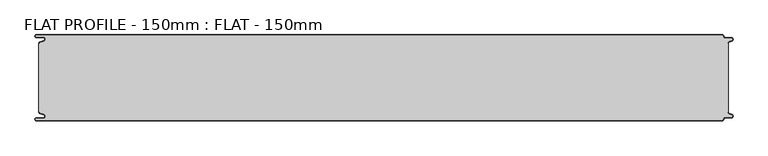
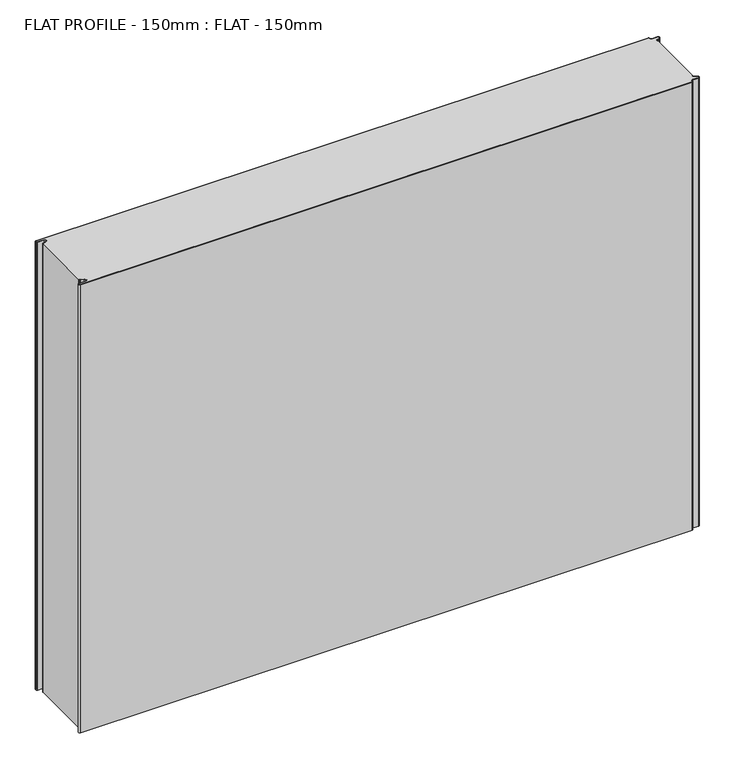
"""IFC4 building model written with IfcOpenShell, lengths in millimetres: proxy geometry, FLAT PROFILE - 150mm : FLAT - 150mm."""

from ifc_helpers import new_model, si_unit, point, frame_2d, origin, origin_with_axes, place, context, project, spatial, polyline, circle_curve, trimmed, segment, composite_curve, outline, extrude, source, transform, mapped, element, save


def flat_profile_150mm_flat_150mm_a8dec45d(model_context):
    return source(origin(), model_context, "Body", "SweptSolid", [
        extrude(outline(composite_curve([segment(polyline([(-591.3794419, 61.1128969), (-589.3904999, 61.9138856), (-583.8995097, 63.9124426)]), True, "CONTINUOUS"), segment(trimmed(circle_curve(frame_2d((-585.2882153, 67.3376495)), 3.6960175), [point((-583.8995097, 63.9124426))], [point((-584.9273771, 71.0160107))], True, "CARTESIAN"), True, "CONTINUOUS"), segment(polyline([(-584.9273771, 71.0160107), (-597.3733883, 71.0160107)]), True, "CONTINUOUS"), segment(trimmed(circle_curve(frame_2d((-597.4921978, 72.511298)), 1.5), [point((-597.3733883, 71.0160107))], [point((-597.3084562, 74.0000019))], False, "CARTESIAN"), True, "CONTINUOUS"), segment(polyline([(-597.3084562, 74.0000019), (596.902372, 74.0000019)]), True, "CONTINUOUS"), segment(trimmed(circle_curve(frame_2d((596.9047345, 72.4926459)), 1.5073578), [point((596.902372, 74.0000019))], [point((598.4115951, 72.4539337))], False, "CARTESIAN"), True, "CONTINUOUS"), segment(trimmed(circle_curve(frame_2d((601.9112919, 72.5000019)), 3.5), [point((598.4115951, 72.4539337))], [point((601.9112919, 69.0000019))], True, "CARTESIAN"), True, "CONTINUOUS"), segment(polyline([(601.9112919, 69.0000019), (612.3116271, 69.0000019)]), True, "CONTINUOUS"), segment(trimmed(circle_curve(frame_2d((612.3116271, 66.9000019)), 2.1), [point((612.3116271, 69.0000019))], [point((613.0435993, 64.9316988))], False, "CARTESIAN"), True, "CONTINUOUS"), segment(polyline([(613.0435993, 64.9316988), (610.7828028, 64.1063001), (607.8546835, 62.9154156)]), True, "CONTINUOUS"), segment(trimmed(circle_curve(frame_2d((608.9399875, 60.2468953)), 2.8807786), [point((607.8546835, 62.9154156))], [point((606.0682599, 60.475074))], True, "CARTESIAN"), True, "CONTINUOUS"), segment(polyline([(606.0682599, 60.475074), (606.0107004, 59.2522232), (607.0118076, 59.2522232), (607.0118076, -59.2522195), (606.0107004, -59.2522195), (606.0682599, -60.4750703)]), True, "CONTINUOUS"), segment(trimmed(circle_curve(frame_2d((608.9399875, -60.2468916)), 2.8807786), [point((606.0682599, -60.4750703))], [point((607.8546835, -62.9154119))], True, "CARTESIAN"), True, "CONTINUOUS"), segment(polyline([(607.8546835, -62.9154119), (610.7828028, -64.1062964), (613.0435993, -64.9316951)]), True, "CONTINUOUS"), segment(trimmed(circle_curve(frame_2d((612.3116271, -66.8999981)), 2.1), [point((613.0435993, -64.9316951))], [point((612.3116271, -68.9999981))], False, "CARTESIAN"), True, "CONTINUOUS"), segment(polyline([(612.3116271, -68.9999981), (601.9112919, -68.9999981)]), True, "CONTINUOUS"), segment(trimmed(circle_curve(frame_2d((601.9112919, -72.4999981)), 3.5), [point((601.9112919, -68.9999981))], [point((598.4115951, -72.45393))], True, "CARTESIAN"), True, "CONTINUOUS"), segment(trimmed(circle_curve(frame_2d((596.9047345, -72.4926422)), 1.5073578), [point((598.4115951, -72.45393))], [point((596.902372, -73.9999981))], False, "CARTESIAN"), True, "CONTINUOUS"), segment(polyline([(596.902372, -73.9999981), (-597.3084562, -73.9999981)]), True, "CONTINUOUS"), segment(trimmed(circle_curve(frame_2d((-597.4921978, -72.5112943)), 1.5), [point((-597.3084562, -73.9999981))], [point((-597.3733883, -71.016007))], False, "CARTESIAN"), True, "CONTINUOUS"), segment(polyline([(-597.3733883, -71.016007), (-584.9273771, -71.016007)]), True, "CONTINUOUS"), segment(trimmed(circle_curve(frame_2d((-585.2882153, -67.3376458)), 3.6960175), [point((-584.9273771, -71.016007))], [point((-583.8995097, -63.9124389))], True, "CARTESIAN"), True, "CONTINUOUS"), segment(polyline([(-583.8995097, -63.9124389), (-589.3904999, -61.9138819), (-591.3794419, -61.1128932)]), True, "CONTINUOUS"), segment(trimmed(circle_curve(frame_2d((-591.0050311, -60.1831907)), 1.0022625), [point((-591.3794419, -61.1128932))], [point((-591.9881924, -60.3779319))], False, "CARTESIAN"), True, "CONTINUOUS"), segment(polyline([(-591.9881924, -60.3779319), (-591.9881924, -59.2522214), (-592.9881924, -59.2522214), (-592.9881924, 59.2522214), (-591.9881924, 59.2522214), (-591.9881924, 60.3779357)]), True, "CONTINUOUS"), segment(trimmed(circle_curve(frame_2d((-591.0050311, 60.1831944)), 1.0022625), [point((-591.9881924, 60.3779357))], [point((-591.3794419, 61.1128969))], False, "CARTESIAN"), True, "CONTINUOUS")], self_intersect=False)), origin_with_axes(), (0.0, 0.0, 1.0), 925.0),
        extrude(outline(composite_curve([segment(trimmed(circle_curve(frame_2d((-591.0050311, 60.1831944)), 1.0022625), [point((-591.3794419, 61.1128969))], [point((-591.9881924, 60.3779357))], True, "CARTESIAN"), True, "CONTINUOUS"), segment(polyline([(-591.9881924, 60.3779357), (-591.9881924, 59.2522214), (-592.9881924, 59.2522214), (-592.9881924, 60.4591051)]), True, "CONTINUOUS"), segment(trimmed(circle_curve(frame_2d((-591.0050311, 60.1831944)), 2.0022625), [point((-592.9881924, 60.4591051))], [point((-591.7530074, 62.0405007))], False, "CARTESIAN"), True, "CONTINUOUS"), segment(polyline([(-591.7530074, 62.0405007), (-589.7483949, 62.8478003), (-584.2598383, 64.8454715)]), True, "CONTINUOUS"), segment(trimmed(circle_curve(frame_2d((-585.2882153, 67.3376495)), 2.6960175), [point((-584.2598383, 64.8454715))], [point((-584.9801705, 70.0160107))], True, "CARTESIAN"), True, "CONTINUOUS"), segment(polyline([(-584.9801705, 70.0160107), (-597.3387672, 70.0160107)]), True, "CONTINUOUS"), segment(trimmed(circle_curve(frame_2d((-597.4921978, 72.511298)), 2.5), [point((-597.3387672, 70.0160107))], [point((-597.2548091, 75.0000019))], False, "CARTESIAN"), True, "CONTINUOUS"), segment(polyline([(-597.2548091, 75.0000019), (596.9016875, 75.0000019)]), True, "CONTINUOUS"), segment(trimmed(circle_curve(frame_2d((596.9047345, 72.4926459)), 2.5073578), [point((596.9016875, 75.0000019))], [point((599.4117582, 72.4517176))], False, "CARTESIAN"), True, "CONTINUOUS"), segment(trimmed(circle_curve(frame_2d((601.9112919, 72.5000019)), 2.5), [point((599.4117582, 72.4517176))], [point((601.9112919, 70.0000019))], True, "CARTESIAN"), True, "CONTINUOUS"), segment(polyline([(601.9112919, 70.0000019), (612.3116271, 70.0000019)]), True, "CONTINUOUS"), segment(trimmed(circle_curve(frame_2d((612.3116271, 66.9000019)), 3.1), [point((612.3116271, 70.0000019))], [point((613.3890842, 63.9932707))], False, "CARTESIAN"), True, "CONTINUOUS"), segment(polyline([(613.3890842, 63.9932707), (611.1427659, 63.1731578), (608.2411829, 62.0549269)]), True, "CONTINUOUS"), segment(trimmed(circle_curve(frame_2d((609.0514567, 60.1592666)), 2.0615701), [point((608.2411829, 62.0549269))], [point((607.0118076, 60.4591051))], True, "CARTESIAN"), True, "CONTINUOUS"), segment(polyline([(607.0118076, 60.4591051), (607.0118076, 59.2522232), (606.0107004, 59.2522232), (606.0682599, 60.475074)]), True, "CONTINUOUS"), segment(trimmed(circle_curve(frame_2d((608.9399875, 60.2468953)), 2.8807786), [point((606.0682599, 60.475074))], [point((607.8546835, 62.9154156))], False, "CARTESIAN"), True, "CONTINUOUS"), segment(polyline([(607.8546835, 62.9154156), (610.7828028, 64.1063001), (613.0435993, 64.9316988)]), True, "CONTINUOUS"), segment(trimmed(circle_curve(frame_2d((612.3116271, 66.9000019)), 2.1), [point((613.0435993, 64.9316988))], [point((612.3116271, 69.0000019))], True, "CARTESIAN"), True, "CONTINUOUS"), segment(polyline([(612.3116271, 69.0000019), (601.9112919, 69.0000019)]), True, "CONTINUOUS"), segment(trimmed(circle_curve(frame_2d((601.9112919, 72.5000019)), 3.5), [point((601.9112919, 69.0000019))], [point((598.4115951, 72.4539337))], False, "CARTESIAN"), True, "CONTINUOUS"), segment(trimmed(circle_curve(frame_2d((596.9047345, 72.4926459)), 1.5073578), [point((598.4115951, 72.4539337))], [point((596.902372, 74.0000019))], True, "CARTESIAN"), True, "CONTINUOUS"), segment(polyline([(596.902372, 74.0000019), (-597.3084562, 74.0000019)]), True, "CONTINUOUS"), segment(trimmed(circle_curve(frame_2d((-597.4921978, 72.511298)), 1.5), [point((-597.3084562, 74.0000019))], [point((-597.3733883, 71.0160107))], True, "CARTESIAN"), True, "CONTINUOUS"), segment(polyline([(-597.3733883, 71.0160107), (-584.9273771, 71.0160107)]), True, "CONTINUOUS"), segment(trimmed(circle_curve(frame_2d((-585.2882153, 67.3376495)), 3.6960175), [point((-584.9273771, 71.0160107))], [point((-583.8995097, 63.9124426))], False, "CARTESIAN"), True, "CONTINUOUS"), segment(polyline([(-583.8995097, 63.9124426), (-589.3904999, 61.9138856), (-591.3794419, 61.1128969)]), True, "CONTINUOUS")], self_intersect=False)), origin_with_axes(), (0.0, 0.0, 1.0), 925.0),
        extrude(outline(composite_curve([segment(polyline([(-591.3794419, -61.1128932), (-589.3904999, -61.9138819), (-583.8995097, -63.9124389)]), True, "CONTINUOUS"), segment(trimmed(circle_curve(frame_2d((-585.2882153, -67.3376458)), 3.6960175), [point((-583.8995097, -63.9124389))], [point((-584.9273771, -71.016007))], False, "CARTESIAN"), True, "CONTINUOUS"), segment(polyline([(-584.9273771, -71.016007), (-597.3733883, -71.016007)]), True, "CONTINUOUS"), segment(trimmed(circle_curve(frame_2d((-597.4921978, -72.5112943)), 1.5), [point((-597.3733883, -71.016007))], [point((-597.3084562, -73.9999981))], True, "CARTESIAN"), True, "CONTINUOUS"), segment(polyline([(-597.3084562, -73.9999981), (596.902372, -73.9999981)]), True, "CONTINUOUS"), segment(trimmed(circle_curve(frame_2d((596.9047345, -72.4926422)), 1.5073578), [point((596.902372, -73.9999981))], [point((598.4115951, -72.45393))], True, "CARTESIAN"), True, "CONTINUOUS"), segment(trimmed(circle_curve(frame_2d((601.9112919, -72.4999981)), 3.5), [point((598.4115951, -72.45393))], [point((601.9112919, -68.9999981))], False, "CARTESIAN"), True, "CONTINUOUS"), segment(polyline([(601.9112919, -68.9999981), (612.3116271, -68.9999981)]), True, "CONTINUOUS"), segment(trimmed(circle_curve(frame_2d((612.3116271, -66.8999981)), 2.1), [point((612.3116271, -68.9999981))], [point((613.0435993, -64.9316951))], True, "CARTESIAN"), True, "CONTINUOUS"), segment(polyline([(613.0435993, -64.9316951), (610.7828028, -64.1062964), (607.8546835, -62.9154119)]), True, "CONTINUOUS"), segment(trimmed(circle_curve(frame_2d((608.9399875, -60.2468916)), 2.8807786), [point((607.8546835, -62.9154119))], [point((606.0682599, -60.4750703))], False, "CARTESIAN"), True, "CONTINUOUS"), segment(polyline([(606.0682599, -60.4750703), (606.0107004, -59.2522195), (607.0118076, -59.2522195), (607.0118076, -60.4591014)]), True, "CONTINUOUS"), segment(trimmed(circle_curve(frame_2d((609.0514567, -60.1592629)), 2.0615701), [point((607.0118076, -60.4591014))], [point((608.2411829, -62.0549231))], True, "CARTESIAN"), True, "CONTINUOUS"), segment(polyline([(608.2411829, -62.0549231), (611.1427659, -63.1731541), (613.3890842, -63.993267)]), True, "CONTINUOUS"), segment(trimmed(circle_curve(frame_2d((612.3116271, -66.8999981)), 3.1), [point((613.3890842, -63.993267))], [point((612.3116271, -69.9999981))], False, "CARTESIAN"), True, "CONTINUOUS"), segment(polyline([(612.3116271, -69.9999981), (601.9112919, -69.9999981)]), True, "CONTINUOUS"), segment(trimmed(circle_curve(frame_2d((601.9112919, -72.4999981)), 2.5), [point((601.9112919, -69.9999981))], [point((599.4117582, -72.4517139))], True, "CARTESIAN"), True, "CONTINUOUS"), segment(trimmed(circle_curve(frame_2d((596.9047345, -72.4926422)), 2.5073578), [point((599.4117582, -72.4517139))], [point((596.9016875, -74.9999981))], False, "CARTESIAN"), True, "CONTINUOUS"), segment(polyline([(596.9016875, -74.9999981), (-597.2548091, -74.9999981)]), True, "CONTINUOUS"), segment(trimmed(circle_curve(frame_2d((-597.4921978, -72.5112943)), 2.5), [point((-597.2548091, -74.9999981))], [point((-597.3387672, -70.016007))], False, "CARTESIAN"), True, "CONTINUOUS"), segment(polyline([(-597.3387672, -70.016007), (-584.9801705, -70.016007)]), True, "CONTINUOUS"), segment(trimmed(circle_curve(frame_2d((-585.2882153, -67.3376458)), 2.6960175), [point((-584.9801705, -70.016007))], [point((-584.2598383, -64.8454678))], True, "CARTESIAN"), True, "CONTINUOUS"), segment(polyline([(-584.2598383, -64.8454678), (-589.7483949, -62.8477966), (-591.7530074, -62.040497)]), True, "CONTINUOUS"), segment(trimmed(circle_curve(frame_2d((-591.0050311, -60.1831907)), 2.0022625), [point((-591.7530074, -62.040497))], [point((-592.9881924, -60.4591014))], False, "CARTESIAN"), True, "CONTINUOUS"), segment(polyline([(-592.9881924, -60.4591014), (-592.9881924, -59.2522177), (-591.9881924, -59.2522177), (-591.9881924, -60.3779319)]), True, "CONTINUOUS"), segment(trimmed(circle_curve(frame_2d((-591.0050311, -60.1831907)), 1.0022625), [point((-591.9881924, -60.3779319))], [point((-591.3794419, -61.1128932))], True, "CARTESIAN"), True, "CONTINUOUS")], self_intersect=False)), origin_with_axes(), (0.0, 0.0, 1.0), 925.0),
    ])


if __name__ == "__main__":
    model = new_model("IFC4")
    model_context = context("Model", 3, world=origin())
    ifc_project = project(units=[si_unit("LENGTHUNIT", "METRE", prefix="MILLI")], contexts=[model_context])
    site = spatial("IfcSite", under=ifc_project)
    building = spatial("IfcBuilding", under=site)
    placement = place(None, origin())
    flat_profile_150mm_flat_150mm_shape = flat_profile_150mm_flat_150mm_a8dec45d(model_context)
    element("IfcBuildingElementProxy", 1, Name="FLAT PROFILE - 150mm : FLAT - 150mm", ObjectType="FLAT PROFILE - 150mm : FLAT - 150mm", at=placement, inside=building, context=model_context, shape_type="MappedRepresentation", body=[
        mapped(flat_profile_150mm_flat_150mm_shape, transform((0.0, 0.0, 0.0), x_axis=(1.0, 0.0, 0.0), y_axis=(0.0, 1.0, 0.0), z_axis=(0.0, 0.0, 1.0))),
    ])
    save(model, "model.ifc")
